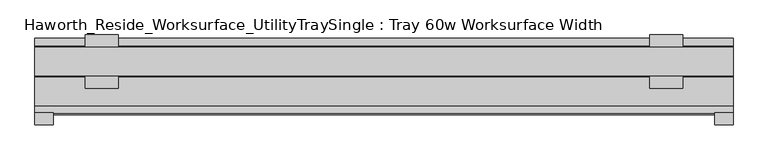
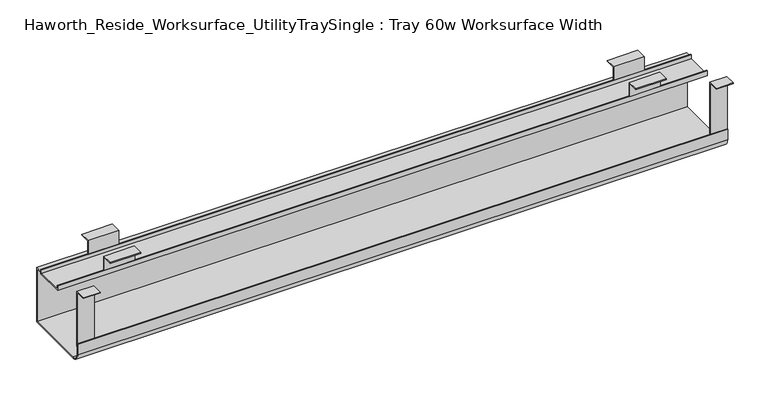
"""IFC4 building model written with IfcOpenShell, lengths in millimetres: furniture geometry, Haworth_Reside_Worksurface_UtilityTraySingle : Tray 60w Worksurface Width."""

from ifc_helpers import new_model, si_unit, point, frame, frame_2d, origin, place, context, project, spatial, polyline, circle_curve, trimmed, segment, composite_curve, outline, extrude, source, transform, mapped, element, save


def haworth_reside_worksurface_utilitytraysingle_tray_60w_067db7a0(model_context):
    return source(origin(), model_context, "Body", "SweptSolid", [
        extrude(outline(polyline([(85.2804983, 731.8375), (85.2804983, 705.0616227), (83.6929983, 705.0616227), (83.6929983, 730.25), (64.1984987, 730.25), (64.1984987, 731.8375), (85.2804983, 731.8375)])), frame((540.54375, 0.0, 0.0), z_axis=(1.0, 0.0, 0.0), x_axis=(0.0, 1.0, 0.0)), (0.0, 0.0, 1.0), 57.15),
        extrude(outline(polyline([(136.0804991, 731.8375), (157.1625, 731.8375), (157.1625, 730.25), (137.6679991, 730.25), (137.6679991, 705.0616227), (136.0804991, 705.0616227), (136.0804991, 731.8375)])), frame((540.54375, 0.0, 0.0), z_axis=(1.0, 0.0, 0.0), x_axis=(0.0, 1.0, 0.0)), (0.0, 0.0, 1.0), 57.15),
        extrude(outline(polyline([(85.2804983, 731.8375), (85.2804983, 705.0616227), (83.6929983, 705.0616227), (83.6929983, 730.25), (64.1984987, 730.25), (64.1984987, 731.8375), (85.2804983, 731.8375)])), frame((-445.29375, 0.0, 0.0), z_axis=(1.0, 0.0, 0.0), x_axis=(0.0, 1.0, 0.0)), (0.0, 0.0, 1.0), 57.15),
        extrude(outline(polyline([(136.0804991, 731.8375), (157.1625, 731.8375), (157.1625, 730.25), (137.6679991, 730.25), (137.6679991, 705.0616227), (136.0804991, 705.0616227), (136.0804991, 731.8375)])), frame((-445.29375, 0.0, 0.0), z_axis=(1.0, 0.0, 0.0), x_axis=(0.0, 1.0, 0.0)), (0.0, 0.0, 1.0), 57.15),
        extrude(outline(polyline([(21.0438957, 731.8375), (21.0438957, 622.3673792), (19.4563957, 622.3673792), (19.4563957, 730.25), (0.0, 730.25), (0.0, 731.8375), (21.0438957, 731.8375)])), frame((654.05, 0.0, 0.0), z_axis=(1.0, 0.0, 0.0), x_axis=(0.0, 1.0, 0.0)), (0.0, 0.0, 1.0), 31.75),
        extrude(outline(polyline([(21.0438957, 731.8375), (21.0438957, 622.3673792), (19.4563957, 622.3673792), (19.4563957, 730.25), (0.0, 730.25), (0.0, 731.8375), (21.0438957, 731.8375)])), frame((-533.4, 0.0, 0.0), z_axis=(1.0, 0.0, 0.0), x_axis=(0.0, 1.0, 0.0)), (0.0, 0.0, 1.0), 31.75),
        extrude(outline(composite_curve([segment(polyline([(151.2189002, 592.1375), (33.7438957, 592.1375)]), True, "CONTINUOUS"), segment(trimmed(circle_curve(frame_2d((33.7438957, 608.0125)), 15.875), [point((33.7438957, 592.1375))], [point((17.8688957, 608.0125))], False, "CARTESIAN"), True, "CONTINUOUS"), segment(polyline([(17.8688957, 608.0125), (17.8688957, 629.0309801), (19.4563957, 629.0309801), (19.4563957, 608.0759608)]), True, "CONTINUOUS"), segment(trimmed(circle_curve(frame_2d((33.7438957, 608.0759608)), 14.2875), [point((19.4563957, 608.0759608))], [point((33.7438957, 593.7884608))], True, "CARTESIAN"), True, "CONTINUOUS"), segment(polyline([(33.7438957, 593.7884608), (149.6314002, 593.7884608), (149.6314002, 698.4364942), (137.6679991, 698.4364942), (137.6679991, 695.8584054), (83.6929983, 695.8584054), (83.6929983, 705.0616227), (85.2804983, 705.0616227), (85.2804983, 697.4459054), (136.0804991, 697.4459054), (136.0804991, 705.0616227), (137.6679991, 705.0616227), (137.6679991, 700.0239942), (151.2189002, 700.0239942), (151.2189002, 592.1375)]), True, "CONTINUOUS")], self_intersect=False)), frame((-533.4, 0.0, 0.0), z_axis=(1.0, 0.0, 0.0), x_axis=(0.0, 1.0, 0.0)), (0.0, 0.0, 1.0), 1219.2),
    ])


if __name__ == "__main__":
    model = new_model("IFC4")
    model_context = context("Model", 3, world=origin())
    ifc_project = project(units=[si_unit("LENGTHUNIT", "METRE", prefix="MILLI")], contexts=[model_context])
    site = spatial("IfcSite", under=ifc_project)
    building = spatial("IfcBuilding", under=site)
    placement = place(None, origin())
    haworth_reside_worksurface_utilitytraysingle_tray_60w_shape = haworth_reside_worksurface_utilitytraysingle_tray_60w_067db7a0(model_context)
    element("IfcFurniture", 1, ObjectType="Haworth_Reside_Worksurface_UtilityTraySingle : Tray 60w Worksurface Width", at=placement, inside=building, context=model_context, shape_type="MappedRepresentation", body=[
        mapped(haworth_reside_worksurface_utilitytraysingle_tray_60w_shape, transform((0.0, 0.0, 0.0), x_axis=(1.0, 0.0, 0.0), y_axis=(0.0, 1.0, 0.0), z_axis=(0.0, 0.0, 1.0))),
    ])
    save(model, "model.ifc")
